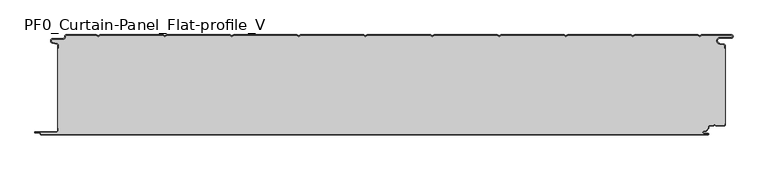
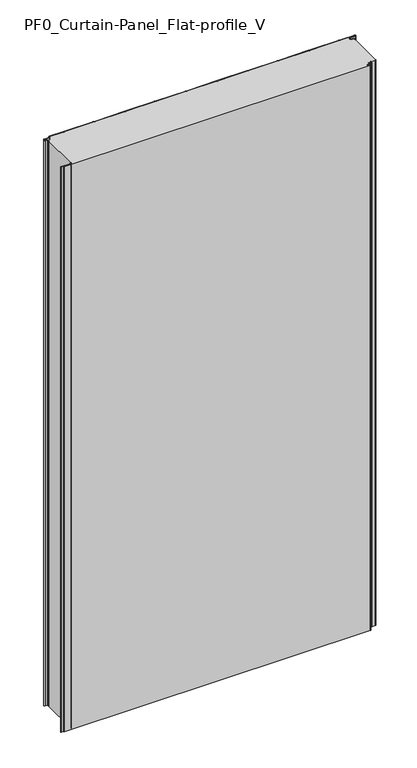
"""IFC4 building model written with IfcOpenShell, lengths in millimetres: plate geometry, PF0_Curtain-Panel_Flat-profile_V."""

from ifc_helpers import new_model, si_unit, point, frame, frame_2d, origin, origin_with_axes, place, context, project, spatial, polyline, circle_curve, trimmed, segment, composite_curve, outline, extrude, source, transform, mapped, element, save
from ifc_brep_helpers import plane_surface, cylinder_surface, revolved_surface, advanced_brep


def pf0_curtain_panel_flat_profile_v_de062862(model_context):
    return source(origin(), model_context, "Body", "SolidModel", [
        advanced_brep(
        [(-500.0, -15.878557, 1945.7507136), (-500.0, -20.0, 1945.7507136), (-499.2, -20.0, 1945.7507136), (-499.2, -15.878557, 1945.7507136), (-501.370137, -13.1503208, 1945.7507136), (-507.529863, -11.728236, 1945.7507136), (-506.9, -6.2, 1945.7507136), (-491.4, -6.2, 1945.7507136), (-488.6, -3.4, 1945.7507136), (-488.6, -2.0, 1945.7507136), (-487.4, -0.8, 1945.7507136), (-442.3143588, -0.8, 1945.7507136), (-439.4, -2.482606, 1945.7507136), (-436.4856412, -0.8, 1945.7507136), (-342.3143588, -0.8, 1945.7507136), (-339.4, -2.482606, 1945.7507136), (-336.4856412, -0.8, 1945.7507136), (-242.3143588, -0.8, 1945.7507136), (-239.4, -2.482606, 1945.7507136), (-236.4856412, -0.8, 1945.7507136), (-142.3143588, -0.8, 1945.7507136), (-139.4, -2.482606, 1945.7507136), (-136.4856412, -0.8, 1945.7507136), (-42.3143588, -0.8, 1945.7507136), (-39.4, -2.482606, 1945.7507136), (-36.4856412, -0.8, 1945.7507136), (57.6856412, -0.8, 1945.7507136), (60.6, -2.482606, 1945.7507136), (63.5143588, -0.8, 1945.7507136), (157.6856412, -0.8, 1945.7507136), (160.6, -2.482606, 1945.7507136), (163.5143588, -0.8, 1945.7507136), (257.6856412, -0.8, 1945.7507136), (260.6, -2.482606, 1945.7507136), (263.5143588, -0.8, 1945.7507136), (357.6856412, -0.8, 1945.7507136), (360.6, -2.482606, 1945.7507136), (363.5143588, -0.8, 1945.7507136), (457.6856412, -0.8, 1945.7507136), (460.6, -2.482606, 1945.7507136), (463.5143588, -0.8, 1945.7507136), (508.1, -0.8, 1945.7507136), (508.1, -4.2, 1945.7507136), (491.1, -4.2, 1945.7507136), (490.2664884, -13.7270771, 1945.7507136), (496.7125669, -14.8636953, 1945.7507136), (498.2, -16.6363492, 1945.7507136), (498.2, -20.0, 1945.7507136), (499.0, -20.0, 1945.7507136), (499.0, -16.6363492, 1945.7507136), (496.8514855, -14.0758491, 1945.7507136), (490.405407, -12.939231, 1945.7507136), (491.1, -5.0, 1945.7507136), (508.1, -5.0, 1945.7507136), (510.6, -2.5, 1945.7507136), (508.1, 0.0, 1945.7507136), (463.2999995, 0.0, 1945.7507136), (460.6, -1.5588455, 1945.7507136), (457.9000005, 0.0, 1945.7507136), (363.2999995, 0.0, 1945.7507136), (360.6, -1.5588455, 1945.7507136), (357.9000005, 0.0, 1945.7507136), (263.2999995, 0.0, 1945.7507136), (260.6, -1.5588455, 1945.7507136), (257.9000005, 0.0, 1945.7507136), (163.2999995, 0.0, 1945.7507136), (160.6, -1.5588455, 1945.7507136), (157.9000005, 0.0, 1945.7507136), (63.2999995, 0.0, 1945.7507136), (60.6, -1.5588455, 1945.7507136), (57.9000005, 0.0, 1945.7507136), (-36.7000005, 0.0, 1945.7507136), (-39.4, -1.5588455, 1945.7507136), (-42.0999995, 0.0, 1945.7507136), (-136.7000005, 0.0, 1945.7507136), (-139.4, -1.5588455, 1945.7507136), (-142.0999995, 0.0, 1945.7507136), (-236.7000005, 0.0, 1945.7507136), (-239.4, -1.5588455, 1945.7507136), (-242.0999995, 0.0, 1945.7507136), (-336.7000005, 0.0, 1945.7507136), (-339.4, -1.5588455, 1945.7507136), (-342.0999995, 0.0, 1945.7507136), (-436.7000005, 0.0, 1945.7507136), (-439.4, -1.5588455, 1945.7507136), (-442.0999995, 0.0, 1945.7507136), (-487.4, 0.0, 1945.7507136), (-489.4, -2.0, 1945.7507136), (-489.4, -3.4, 1945.7507136), (-491.4, -5.4, 1945.7507136), (-506.9, -5.4, 1945.7507136), (-507.7098239, -12.5077322, 1945.7507136), (-501.5500979, -13.929817, 1945.7507136), (-500.0, -15.878557, 0.0), (-501.5500978, -13.9298169, 0.0), (-507.7098239, -12.507732, 0.0), (-506.9, -5.4, 0.0), (-491.4, -5.4, 0.0), (-489.4, -3.4, 0.0), (-489.4, -2.0, 0.0), (-487.4, 0.0, 0.0), (-442.0999995, 0.0, 0.0), (-439.4, -1.5588455, 0.0), (-436.7000005, 0.0, 0.0), (-342.0999995, 0.0, 0.0), (-339.4, -1.5588455, 0.0), (-336.7000005, 0.0, 0.0), (-242.0999995, 0.0, 0.0), (-239.4, -1.5588455, 0.0), (-236.7000005, 0.0, 0.0), (-142.0999995, 0.0, 0.0), (-139.4, -1.5588455, 0.0), (-136.7000005, 0.0, 0.0), (-42.0999995, 0.0, 0.0), (-39.4, -1.5588455, 0.0), (-36.7000005, 0.0, 0.0), (57.9000005, 0.0, 0.0), (60.6, -1.5588455, 0.0), (63.2999995, 0.0, 0.0), (157.9000005, 0.0, 0.0), (160.6, -1.5588455, 0.0), (163.2999995, 0.0, 0.0), (257.9000005, 0.0, 0.0), (260.6, -1.5588455, 0.0), (263.2999995, 0.0, 0.0), (357.9000005, 0.0, 0.0), (360.6, -1.5588455, 0.0), (363.2999995, 0.0, 0.0), (457.9000005, 0.0, 0.0), (460.6, -1.5588455, 0.0), (463.2999995, 0.0, 0.0), (508.1, 0.0, 0.0), (510.6, -2.5, 0.0), (508.1, -5.0, 0.0), (491.1, -5.0, 0.0), (490.405407, -12.939231, 0.0), (496.8514855, -14.0758491, 0.0), (499.0, -16.6363492, 0.0), (499.0, -20.0, 0.0), (498.2, -20.0, 0.0), (498.2, -16.6363492, 0.0), (496.7125669, -14.8636953, 0.0), (490.2664884, -13.7270772, 0.0), (491.1, -4.2, 0.0), (508.1, -4.2, 0.0), (508.1, -0.8, 0.0), (463.5143588, -0.8, 0.0), (460.6, -2.482606, 0.0), (457.6856412, -0.8, 0.0), (363.5143588, -0.8, 0.0), (360.6, -2.482606, 0.0), (357.6856412, -0.8, 0.0), (263.5143588, -0.8, 0.0), (260.6, -2.482606, 0.0), (257.6856412, -0.8, 0.0), (163.5143588, -0.8, 0.0), (160.6, -2.482606, 0.0), (157.6856412, -0.8, 0.0), (63.5143588, -0.8, 0.0), (60.6, -2.482606, 0.0), (57.6856412, -0.8, 0.0), (-36.4856412, -0.8, 0.0), (-39.4, -2.482606, 0.0), (-42.3143588, -0.8, 0.0), (-136.4856412, -0.8, 0.0), (-139.4, -2.482606, 0.0), (-142.3143588, -0.8, 0.0), (-236.4856412, -0.8, 0.0), (-239.4, -2.482606, 0.0), (-242.3143588, -0.8, 0.0), (-336.4856412, -0.8, 0.0), (-339.4, -2.482606, 0.0), (-342.3143588, -0.8, 0.0), (-436.4856412, -0.8, 0.0), (-439.4, -2.482606, 0.0), (-442.3143588, -0.8, 0.0), (-487.4, -0.8, 0.0), (-488.6, -2.0, 0.0), (-488.6, -3.4, 0.0), (-491.4, -6.2, 0.0), (-506.9, -6.2, 0.0), (-507.529863, -11.7282362, 0.0), (-501.370137, -13.150321, 0.0), (-499.2, -15.878557, 0.0), (-499.2, -20.0, 0.0), (-500.0, -20.0, 0.0)],
        [
            (0, 1),
            (1, 2),
            (2, 3),
            (3, 4, circle_curve(frame((-502.0, -15.878557, 1945.7507136), z_axis=(0.0, 0.0, 1.0), x_axis=(1.0, 0.0, 0.0)), 2.8)),
            (4, 5),
            (5, 6, circle_curve(frame((-506.9, -9.0, 1945.7507136), z_axis=(0.0, 0.0, -1.0), x_axis=(1.0, 0.0, 0.0)), 2.8)),
            (6, 7),
            (7, 8, circle_curve(frame((-491.4, -3.4, 1945.7507136), z_axis=(0.0, 0.0, 1.0), x_axis=(1.0, 0.0, 0.0)), 2.8)),
            (8, 9),
            (9, 10, circle_curve(frame((-487.4, -2.0, 1945.7507136), z_axis=(0.0, 0.0, -1.0), x_axis=(1.0, 0.0, 0.0)), 1.2)),
            (10, 11),
            (11, 12),
            (12, 13),
            (13, 14),
            (14, 15),
            (15, 16),
            (16, 17),
            (17, 18),
            (18, 19),
            (19, 20),
            (20, 21),
            (21, 22),
            (22, 23),
            (23, 24),
            (24, 25),
            (25, 26),
            (26, 27),
            (27, 28),
            (28, 29),
            (29, 30),
            (30, 31),
            (31, 32),
            (32, 33),
            (33, 34),
            (34, 35),
            (35, 36),
            (36, 37),
            (37, 38),
            (38, 39),
            (39, 40),
            (40, 41),
            (41, 42, circle_curve(frame((508.1, -2.5, 1945.7507136), z_axis=(0.0, 0.0, -1.0), x_axis=(1.0, 0.0, 0.0)), 1.7)),
            (42, 43),
            (43, 44, circle_curve(frame((491.1, -9.0, 1945.7507136), z_axis=(0.0, 0.0, 1.0), x_axis=(1.0, 0.0, 0.0)), 4.8)),
            (44, 45),
            (45, 46, circle_curve(frame((496.4, -16.6363492, 1945.7507136), z_axis=(0.0, 0.0, -1.0), x_axis=(1.0, 0.0, 0.0)), 1.8)),
            (46, 47),
            (47, 48),
            (48, 49),
            (49, 50, circle_curve(frame((496.4, -16.6363492, 1945.7507136), z_axis=(0.0, 0.0, 1.0), x_axis=(1.0, 0.0, 0.0)), 2.6)),
            (50, 51),
            (51, 52, circle_curve(frame((491.1, -9.0, 1945.7507136), z_axis=(0.0, 0.0, -1.0), x_axis=(1.0, 0.0, 0.0)), 4.0)),
            (52, 53),
            (53, 54, circle_curve(frame((508.1, -2.5, 1945.7507136), z_axis=(0.0, 0.0, 1.0), x_axis=(1.0, 0.0, 0.0)), 2.5)),
            (54, 55, circle_curve(frame((508.1, -2.5, 1945.7507136), z_axis=(0.0, 0.0, 1.0), x_axis=(1.0, 0.0, 0.0)), 2.5)),
            (55, 56),
            (56, 57),
            (57, 58),
            (58, 59),
            (59, 60),
            (60, 61),
            (61, 62),
            (62, 63),
            (63, 64),
            (64, 65),
            (65, 66),
            (66, 67),
            (67, 68),
            (68, 69),
            (69, 70),
            (70, 71),
            (71, 72),
            (72, 73),
            (73, 74),
            (74, 75),
            (75, 76),
            (76, 77),
            (77, 78),
            (78, 79),
            (79, 80),
            (80, 81),
            (81, 82),
            (82, 83),
            (83, 84),
            (84, 85),
            (85, 86),
            (86, 87, circle_curve(frame((-487.4, -2.0, 1945.7507136), z_axis=(0.0, 0.0, 1.0), x_axis=(1.0, 0.0, 0.0)), 2.0)),
            (87, 88),
            (88, 89, circle_curve(frame((-491.4, -3.4, 1945.7507136), z_axis=(0.0, 0.0, -1.0), x_axis=(1.0, 0.0, 0.0)), 2.0)),
            (89, 90),
            (90, 91, circle_curve(frame((-506.9, -9.0, 1945.7507136), z_axis=(0.0, 0.0, 1.0), x_axis=(1.0, 0.0, 0.0)), 3.6)),
            (91, 92),
            (92, 0, circle_curve(frame((-502.0, -15.878557, 1945.7507136), z_axis=(0.0, 0.0, -1.0), x_axis=(1.0, 0.0, 0.0)), 2.0)),
            (93, 94, circle_curve(frame((-502.0, -15.878557, 0.0), z_axis=(0.0, 0.0, 1.0), x_axis=(1.0, 0.0, 0.0)), 2.0)),
            (94, 95),
            (95, 96, circle_curve(frame((-506.9, -9.0, 0.0), z_axis=(0.0, 0.0, -1.0), x_axis=(1.0, 0.0, 0.0)), 3.6)),
            (96, 97),
            (97, 98, circle_curve(frame((-491.4, -3.4, 0.0), z_axis=(0.0, 0.0, 1.0), x_axis=(1.0, 0.0, 0.0)), 2.0)),
            (98, 99),
            (99, 100, circle_curve(frame((-487.4, -2.0, 0.0), z_axis=(0.0, 0.0, -1.0), x_axis=(1.0, 0.0, 0.0)), 2.0)),
            (100, 101),
            (101, 102),
            (102, 103),
            (103, 104),
            (104, 105),
            (105, 106),
            (106, 107),
            (107, 108),
            (108, 109),
            (109, 110),
            (110, 111),
            (111, 112),
            (112, 113),
            (113, 114),
            (114, 115),
            (115, 116),
            (116, 117),
            (117, 118),
            (118, 119),
            (119, 120),
            (120, 121),
            (121, 122),
            (122, 123),
            (123, 124),
            (124, 125),
            (125, 126),
            (126, 127),
            (127, 128),
            (128, 129),
            (129, 130),
            (130, 131),
            (131, 132, circle_curve(frame((508.1, -2.5, 0.0), z_axis=(0.0, 0.0, -1.0), x_axis=(1.0, 0.0, 0.0)), 2.5)),
            (132, 133, circle_curve(frame((508.1, -2.5, 0.0), z_axis=(0.0, 0.0, -1.0), x_axis=(1.0, 0.0, 0.0)), 2.5)),
            (133, 134),
            (134, 135, circle_curve(frame((491.1, -9.0, 0.0), z_axis=(0.0, 0.0, 1.0), x_axis=(1.0, 0.0, 0.0)), 4.0)),
            (135, 136),
            (136, 137, circle_curve(frame((496.4, -16.6363492, 0.0), z_axis=(0.0, 0.0, -1.0), x_axis=(1.0, 0.0, 0.0)), 2.6)),
            (137, 138),
            (138, 139),
            (139, 140),
            (140, 141, circle_curve(frame((496.4, -16.6363492, 0.0), z_axis=(0.0, 0.0, 1.0), x_axis=(1.0, 0.0, 0.0)), 1.8)),
            (141, 142),
            (142, 143, circle_curve(frame((491.1, -9.0, 0.0), z_axis=(0.0, 0.0, -1.0), x_axis=(1.0, 0.0, 0.0)), 4.8)),
            (143, 144),
            (144, 145, circle_curve(frame((508.1, -2.5, 0.0), z_axis=(0.0, 0.0, 1.0), x_axis=(1.0, 0.0, 0.0)), 1.7)),
            (145, 146),
            (146, 147),
            (147, 148),
            (148, 149),
            (149, 150),
            (150, 151),
            (151, 152),
            (152, 153),
            (153, 154),
            (154, 155),
            (155, 156),
            (156, 157),
            (157, 158),
            (158, 159),
            (159, 160),
            (160, 161),
            (161, 162),
            (162, 163),
            (163, 164),
            (164, 165),
            (165, 166),
            (166, 167),
            (167, 168),
            (168, 169),
            (169, 170),
            (170, 171),
            (171, 172),
            (172, 173),
            (173, 174),
            (174, 175),
            (175, 176),
            (176, 177, circle_curve(frame((-487.4, -2.0, 0.0), z_axis=(0.0, 0.0, 1.0), x_axis=(1.0, 0.0, 0.0)), 1.2)),
            (177, 178),
            (178, 179, circle_curve(frame((-491.4, -3.4, 0.0), z_axis=(0.0, 0.0, -1.0), x_axis=(1.0, 0.0, 0.0)), 2.8)),
            (179, 180),
            (180, 181, circle_curve(frame((-506.9, -9.0, 0.0), z_axis=(0.0, 0.0, 1.0), x_axis=(1.0, 0.0, 0.0)), 2.8)),
            (181, 182),
            (182, 183, circle_curve(frame((-502.0, -15.878557, 0.0), z_axis=(0.0, 0.0, -1.0), x_axis=(1.0, 0.0, 0.0)), 2.8)),
            (183, 184),
            (184, 185),
            (185, 93),
            (0, 93),
            (185, 1),
            (184, 2),
            (183, 3),
            (182, 4),
            (181, 5),
            (180, 6),
            (179, 7),
            (178, 8),
            (177, 9),
            (176, 10),
            (175, 11),
            (174, 12),
            (173, 13),
            (172, 14),
            (171, 15),
            (170, 16),
            (169, 17),
            (168, 18),
            (167, 19),
            (166, 20),
            (165, 21),
            (164, 22),
            (163, 23),
            (162, 24),
            (161, 25),
            (160, 26),
            (159, 27),
            (158, 28),
            (157, 29),
            (156, 30),
            (155, 31),
            (154, 32),
            (153, 33),
            (152, 34),
            (151, 35),
            (150, 36),
            (149, 37),
            (148, 38),
            (147, 39),
            (146, 40),
            (145, 41),
            (144, 42),
            (143, 43),
            (142, 44),
            (141, 45),
            (140, 46),
            (139, 47),
            (138, 48),
            (137, 49),
            (136, 50),
            (135, 51),
            (134, 52),
            (133, 53),
            (131, 55),
            (56, 130),
            (129, 57),
            (128, 58),
            (127, 59),
            (126, 60),
            (125, 61),
            (124, 62),
            (123, 63),
            (122, 64),
            (121, 65),
            (120, 66),
            (119, 67),
            (118, 68),
            (117, 69),
            (116, 70),
            (115, 71),
            (114, 72),
            (113, 73),
            (112, 74),
            (111, 75),
            (110, 76),
            (109, 77),
            (108, 78),
            (107, 79),
            (106, 80),
            (105, 81),
            (104, 82),
            (103, 83),
            (102, 84),
            (101, 85),
            (100, 86),
            (99, 87),
            (98, 88),
            (97, 89),
            (96, 90),
            (95, 91),
            (94, 92),
        ],
        [
            plane_surface(frame((-500.0, 0.0, 1945.7507136), z_axis=(0.0, 0.0, 1.0), x_axis=(0.0, 1.0, 0.0))),
            plane_surface(frame((-500.0, 0.0, 0.0), z_axis=(0.0, 0.0, -1.0), x_axis=(0.0, 1.0, 0.0))),
            plane_surface(frame((-500.0, -15.878557, 1945.7507136), z_axis=(-1.0, 0.0, 0.0), x_axis=(0.0, 0.0, -1.0))),
            plane_surface(frame((-500.0, -20.0, 1945.7507136), z_axis=(0.0, -1.0, 0.0), x_axis=(0.0, 0.0, -1.0))),
            plane_surface(frame((-499.2, -20.0, 1945.7507136), z_axis=(1.0, 0.0, 0.0), x_axis=(0.0, 0.0, -1.0))),
            cylinder_surface(frame((-502.0, -15.878557, 1945.7507136), z_axis=(0.0, 0.0, 1.0), x_axis=(1.0, 0.0, 0.0)), 2.8),
            plane_surface(frame((-501.370137, -13.150321, 1945.7507136), z_axis=(0.22495108446242484, 0.9743700578318174, 0.0), x_axis=(0.0, 0.0, -1.0))),
            revolved_surface(polyline([(-504.09999999999997, -9.0, 0.0), (-504.09999999999997, -9.0, 1945.7507136)]), (-506.9, -9.0, 1945.7507136), (0.0, 0.0, -1.0)),
            plane_surface(frame((-506.9, -6.2, 1945.7507136), z_axis=(0.0, -1.0, 0.0), x_axis=(0.0, 0.0, -1.0))),
            cylinder_surface(frame((-491.4, -3.4, 1945.7507136), z_axis=(0.0, 0.0, 1.0), x_axis=(1.0, 0.0, 0.0)), 2.8),
            plane_surface(frame((-488.6, -3.4, 1945.7507136), z_axis=(1.0, 0.0, 0.0), x_axis=(0.0, 0.0, -1.0))),
            revolved_surface(polyline([(-486.2, -2.0, 0.0), (-486.2, -2.0, 1945.7507136)]), (-487.4, -2.0, 1945.7507136), (0.0, 0.0, -1.0)),
            plane_surface(frame((-487.4, -0.8, 1945.7507136), z_axis=(0.0, -1.0, 0.0), x_axis=(0.0, 0.0, -1.0))),
            plane_surface(frame((-442.3143588, -0.8, 1945.7507136), z_axis=(-0.5000000299313342, -0.8660253865035741, 0.0), x_axis=(0.0, 0.0, -1.0))),
            plane_surface(frame((-439.4, -2.482606, 1945.7507136), z_axis=(0.5000000299313233, -0.8660253865035805, 0.0), x_axis=(0.0, 0.0, -1.0))),
            plane_surface(frame((-436.4856412, -0.8, 1945.7507136), z_axis=(0.0, -1.0, 0.0), x_axis=(0.0, 0.0, -1.0))),
            plane_surface(frame((-342.3143588, -0.8, 1945.7507136), z_axis=(-0.5000000299313346, -0.8660253865035739, 0.0), x_axis=(0.0, 0.0, -1.0))),
            plane_surface(frame((-339.4, -2.482606, 1945.7507136), z_axis=(0.5000000299313251, -0.8660253865035794, 0.0), x_axis=(0.0, 0.0, -1.0))),
            plane_surface(frame((-336.4856412, -0.8, 1945.7507136), z_axis=(0.0, -1.0, 0.0), x_axis=(0.0, 0.0, -1.0))),
            plane_surface(frame((-242.3143588, -0.8, 1945.7507136), z_axis=(-0.5000000299313346, -0.866025386503574, 0.0), x_axis=(0.0, 0.0, -1.0))),
            plane_surface(frame((-239.4, -2.482606, 1945.7507136), z_axis=(0.5000000299313251, -0.8660253865035794, 0.0), x_axis=(0.0, 0.0, -1.0))),
            plane_surface(frame((-236.4856412, -0.8, 1945.7507136), z_axis=(0.0, -1.0, 0.0), x_axis=(0.0, 0.0, -1.0))),
            plane_surface(frame((-142.3143588, -0.8, 1945.7507136), z_axis=(-0.5000000299313349, -0.8660253865035739, 0.0), x_axis=(0.0, 0.0, -1.0))),
            plane_surface(frame((-139.4, -2.482606, 1945.7507136), z_axis=(0.5000000299313233, -0.8660253865035805, 0.0), x_axis=(0.0, 0.0, -1.0))),
            plane_surface(frame((-136.4856412, -0.8, 1945.7507136), z_axis=(0.0, -1.0, 0.0), x_axis=(0.0, 0.0, -1.0))),
            plane_surface(frame((-42.3143588, -0.8, 1945.7507136), z_axis=(-0.5000000299313346, -0.866025386503574, 0.0), x_axis=(0.0, 0.0, -1.0))),
            plane_surface(frame((-39.4, -2.482606, 1945.7507136), z_axis=(0.5000000299313239, -0.8660253865035802, 0.0), x_axis=(0.0, 0.0, -1.0))),
            plane_surface(frame((-36.4856412, -0.8, 1945.7507136), z_axis=(0.0, -1.0, 0.0), x_axis=(0.0, 0.0, -1.0))),
            plane_surface(frame((57.6856412, -0.8, 1945.7507136), z_axis=(-0.5000000299313347, -0.8660253865035739, 0.0), x_axis=(0.0, 0.0, -1.0))),
            plane_surface(frame((60.6, -2.482606, 1945.7507136), z_axis=(0.5000000299313232, -0.8660253865035805, 0.0), x_axis=(0.0, 0.0, -1.0))),
            plane_surface(frame((63.5143588, -0.8, 1945.7507136), z_axis=(0.0, -1.0, 0.0), x_axis=(0.0, 0.0, -1.0))),
            plane_surface(frame((157.6856412, -0.8, 1945.7507136), z_axis=(-0.5000000299313346, -0.866025386503574, 0.0), x_axis=(0.0, 0.0, -1.0))),
            plane_surface(frame((160.6, -2.482606, 1945.7507136), z_axis=(0.5000000299313262, -0.8660253865035787, 0.0), x_axis=(0.0, 0.0, -1.0))),
            plane_surface(frame((163.5143588, -0.8, 1945.7507136), z_axis=(0.0, -1.0, 0.0), x_axis=(0.0, 0.0, -1.0))),
            plane_surface(frame((257.6856412, -0.8, 1945.7507136), z_axis=(-0.5000000299313346, -0.8660253865035739, 0.0), x_axis=(0.0, 0.0, -1.0))),
            plane_surface(frame((260.6, -2.482606, 1945.7507136), z_axis=(0.5000000299313263, -0.8660253865035787, 0.0), x_axis=(0.0, 0.0, -1.0))),
            plane_surface(frame((263.5143588, -0.8, 1945.7507136), z_axis=(0.0, -1.0, 0.0), x_axis=(0.0, 0.0, -1.0))),
            plane_surface(frame((357.6856412, -0.8, 1945.7507136), z_axis=(-0.5000000299313346, -0.8660253865035739, 0.0), x_axis=(0.0, 0.0, -1.0))),
            plane_surface(frame((360.6, -2.482606, 1945.7507136), z_axis=(0.5000000299313255, -0.8660253865035792, 0.0), x_axis=(0.0, 0.0, -1.0))),
            plane_surface(frame((363.5143588, -0.8, 1945.7507136), z_axis=(0.0, -1.0, 0.0), x_axis=(0.0, 0.0, -1.0))),
            plane_surface(frame((457.6856412, -0.8, 1945.7507136), z_axis=(-0.5000000299313347, -0.8660253865035739, 0.0), x_axis=(0.0, 0.0, -1.0))),
            plane_surface(frame((460.6, -2.482606, 1945.7507136), z_axis=(0.5000000299313263, -0.8660253865035787, 0.0), x_axis=(0.0, 0.0, -1.0))),
            plane_surface(frame((463.5143588, -0.8, 1945.7507136), z_axis=(0.0, -1.0, 0.0), x_axis=(0.0, 0.0, -1.0))),
            revolved_surface(polyline([(509.8, -2.5, 0.0), (509.8, -2.5, 1945.7507136)]), (508.1, -2.5, 1945.7507136), (0.0, 0.0, -1.0)),
            plane_surface(frame((508.1, -4.2, 1945.7507136), z_axis=(0.0, 1.0, 0.0), x_axis=(0.0, 0.0, -1.0))),
            cylinder_surface(frame((491.1, -9.0, 1945.7507136), z_axis=(0.0, 0.0, 1.0), x_axis=(1.0, 0.0, 0.0)), 4.8),
            plane_surface(frame((490.2664884, -13.7270772, 1945.7507136), z_axis=(-0.17364825602592485, -0.9848077391954, 0.0), x_axis=(0.0, 0.0, -1.0))),
            revolved_surface(polyline([(498.2, -16.6363492, 0.0), (498.2, -16.6363492, 1945.7507136)]), (496.4, -16.6363492, 1945.7507136), (0.0, 0.0, -1.0)),
            plane_surface(frame((498.2, -16.6363492, 1945.7507136), z_axis=(-1.0, 0.0, 0.0), x_axis=(0.0, 0.0, -1.0))),
            plane_surface(frame((498.2, -20.0, 1945.7507136), z_axis=(0.0, -1.0, 0.0), x_axis=(0.0, 0.0, -1.0))),
            plane_surface(frame((499.0, -20.0, 1945.7507136), z_axis=(1.0, 0.0, 0.0), x_axis=(0.0, 0.0, -1.0))),
            cylinder_surface(frame((496.4, -16.6363492, 1945.7507136), z_axis=(0.0, 0.0, 1.0), x_axis=(1.0, 0.0, 0.0)), 2.6),
            plane_surface(frame((496.8514855, -14.0758491, 1945.7507136), z_axis=(0.1736482560259256, 0.9848077391953998, 0.0), x_axis=(0.0, 0.0, -1.0))),
            revolved_surface(polyline([(495.1, -9.0, 0.0), (495.1, -9.0, 1945.7507136)]), (491.1, -9.0, 1945.7507136), (0.0, 0.0, -1.0)),
            plane_surface(frame((491.1, -5.0, 1945.7507136), z_axis=(0.0, -1.0, 0.0), x_axis=(0.0, 0.0, -1.0))),
            cylinder_surface(frame((508.1, -2.5, 1945.7507136), z_axis=(0.0, 0.0, 1.0), x_axis=(1.0, 0.0, 0.0)), 2.5),
            plane_surface(frame((463.2999995, 0.0, 1945.7507136), z_axis=(-0.5000000299313235, 0.8660253865035803, 0.0), x_axis=(0.0, 0.0, -1.0))),
            plane_surface(frame((460.6, -1.5588455, 1945.7507136), z_axis=(0.5000000299313346, 0.8660253865035739, 0.0), x_axis=(0.0, 0.0, -1.0))),
            plane_surface(frame((457.9000005, 0.0, 1945.7507136), z_axis=(0.0, 1.0, 0.0), x_axis=(0.0, 0.0, -1.0))),
            plane_surface(frame((363.2999995, 0.0, 1945.7507136), z_axis=(-0.5000000299313235, 0.8660253865035803, 0.0), x_axis=(0.0, 0.0, -1.0))),
            plane_surface(frame((360.6, -1.5588455, 1945.7507136), z_axis=(0.5000000299313346, 0.8660253865035739, 0.0), x_axis=(0.0, 0.0, -1.0))),
            plane_surface(frame((357.9000005, 0.0, 1945.7507136), z_axis=(0.0, 1.0, 0.0), x_axis=(0.0, 0.0, -1.0))),
            plane_surface(frame((263.2999995, 0.0, 1945.7507136), z_axis=(-0.5000000299313235, 0.8660253865035803, 0.0), x_axis=(0.0, 0.0, -1.0))),
            plane_surface(frame((260.6, -1.5588455, 1945.7507136), z_axis=(0.5000000299313346, 0.8660253865035739, 0.0), x_axis=(0.0, 0.0, -1.0))),
            plane_surface(frame((257.9000005, 0.0, 1945.7507136), z_axis=(0.0, 1.0, 0.0), x_axis=(0.0, 0.0, -1.0))),
            plane_surface(frame((163.2999995, 0.0, 1945.7507136), z_axis=(-0.5000000299313235, 0.8660253865035803, 0.0), x_axis=(0.0, 0.0, -1.0))),
            plane_surface(frame((160.6, -1.5588455, 1945.7507136), z_axis=(0.5000000299313346, 0.8660253865035739, 0.0), x_axis=(0.0, 0.0, -1.0))),
            plane_surface(frame((157.9000005, 0.0, 1945.7507136), z_axis=(0.0, 1.0, 0.0), x_axis=(0.0, 0.0, -1.0))),
            plane_surface(frame((63.2999995, 0.0, 1945.7507136), z_axis=(-0.5000000299313235, 0.8660253865035803, 0.0), x_axis=(0.0, 0.0, -1.0))),
            plane_surface(frame((60.6, -1.5588455, 1945.7507136), z_axis=(0.5000000299313346, 0.8660253865035739, 0.0), x_axis=(0.0, 0.0, -1.0))),
            plane_surface(frame((57.9000005, 0.0, 1945.7507136), z_axis=(0.0, 1.0, 0.0), x_axis=(0.0, 0.0, -1.0))),
            plane_surface(frame((-36.7000005, 0.0, 1945.7507136), z_axis=(-0.5000000299313235, 0.8660253865035803, 0.0), x_axis=(0.0, 0.0, -1.0))),
            plane_surface(frame((-39.4, -1.5588455, 1945.7507136), z_axis=(0.5000000299313346, 0.8660253865035739, 0.0), x_axis=(0.0, 0.0, -1.0))),
            plane_surface(frame((-42.0999995, 0.0, 1945.7507136), z_axis=(0.0, 1.0, 0.0), x_axis=(0.0, 0.0, -1.0))),
            plane_surface(frame((-136.7000005, 0.0, 1945.7507136), z_axis=(-0.5000000299313235, 0.8660253865035803, 0.0), x_axis=(0.0, 0.0, -1.0))),
            plane_surface(frame((-139.4, -1.5588455, 1945.7507136), z_axis=(0.5000000299313346, 0.8660253865035739, 0.0), x_axis=(0.0, 0.0, -1.0))),
            plane_surface(frame((-142.0999995, 0.0, 1945.7507136), z_axis=(0.0, 1.0, 0.0), x_axis=(0.0, 0.0, -1.0))),
            plane_surface(frame((-236.7000005, 0.0, 1945.7507136), z_axis=(-0.5000000299313235, 0.8660253865035803, 0.0), x_axis=(0.0, 0.0, -1.0))),
            plane_surface(frame((-239.4, -1.5588455, 1945.7507136), z_axis=(0.5000000299313346, 0.8660253865035739, 0.0), x_axis=(0.0, 0.0, -1.0))),
            plane_surface(frame((-242.0999995, 0.0, 1945.7507136), z_axis=(0.0, 1.0, 0.0), x_axis=(0.0, 0.0, -1.0))),
            plane_surface(frame((-336.7000005, 0.0, 1945.7507136), z_axis=(-0.5000000299313235, 0.8660253865035803, 0.0), x_axis=(0.0, 0.0, -1.0))),
            plane_surface(frame((-339.4, -1.5588455, 1945.7507136), z_axis=(0.5000000299313346, 0.8660253865035739, 0.0), x_axis=(0.0, 0.0, -1.0))),
            plane_surface(frame((-342.0999995, 0.0, 1945.7507136), z_axis=(0.0, 1.0, 0.0), x_axis=(0.0, 0.0, -1.0))),
            plane_surface(frame((-436.7000005, 0.0, 1945.7507136), z_axis=(-0.5000000299313235, 0.8660253865035803, 0.0), x_axis=(0.0, 0.0, -1.0))),
            plane_surface(frame((-439.4, -1.5588455, 1945.7507136), z_axis=(0.5000000299313346, 0.8660253865035739, 0.0), x_axis=(0.0, 0.0, -1.0))),
            plane_surface(frame((-442.0999995, 0.0, 1945.7507136), z_axis=(0.0, 1.0, 0.0), x_axis=(0.0, 0.0, -1.0))),
            cylinder_surface(frame((-487.4, -2.0, 1945.7507136), z_axis=(0.0, 0.0, 1.0), x_axis=(1.0, 0.0, 0.0)), 2.0),
            plane_surface(frame((-489.4, -2.0, 1945.7507136), z_axis=(-1.0, 0.0, 0.0), x_axis=(0.0, 0.0, -1.0))),
            revolved_surface(polyline([(-489.4, -3.4, 0.0), (-489.4, -3.4, 1945.7507136)]), (-491.4, -3.4, 1945.7507136), (0.0, 0.0, -1.0)),
            plane_surface(frame((-491.4, -5.4, 1945.7507136), z_axis=(0.0, 1.0, 0.0), x_axis=(0.0, 0.0, -1.0))),
            cylinder_surface(frame((-506.9, -9.0, 1945.7507136), z_axis=(0.0, 0.0, 1.0), x_axis=(1.0, 0.0, 0.0)), 3.6),
            plane_surface(frame((-507.7098239, -12.507732, 1945.7507136), z_axis=(-0.22495108446242487, -0.9743700578318174, 0.0), x_axis=(0.0, 0.0, -1.0))),
            revolved_surface(polyline([(-500.0, -15.878557, 0.0), (-500.0, -15.878557, 1945.7507136)]), (-502.0, -15.878557, 1945.7507136), (0.0, 0.0, -1.0)),
            plane_surface(frame((508.1, 0.0, 1945.7507136), z_axis=(0.0, 1.0, 0.0), x_axis=(0.0, 0.0, -1.0))),
        ],
        [
            (0, [[1, 2, 3, 4, 5, 6, 7, 8, 9, 10, 11, 12, 13, 14, 15, 16, 17, 18, 19, 20, 21, 22, 23, 24, 25, 26, 27, 28, 29, 30, 31, 32, 33, 34, 35, 36, 37, 38, 39, 40, 41, 42, 43, 44, 45, 46, 47, 48, 49, 50, 51, 52, 53, 54, 55, 56, 57, 58, 59, 60, 61, 62, 63, 64, 65, 66, 67, 68, 69, 70, 71, 72, 73, 74, 75, 76, 77, 78, 79, 80, 81, 82, 83, 84, 85, 86, 87, 88, 89, 90, 91, 92, 93]]),
            (1, [[94, 95, 96, 97, 98, 99, 100, 101, 102, 103, 104, 105, 106, 107, 108, 109, 110, 111, 112, 113, 114, 115, 116, 117, 118, 119, 120, 121, 122, 123, 124, 125, 126, 127, 128, 129, 130, 131, 132, 133, 134, 135, 136, 137, 138, 139, 140, 141, 142, 143, 144, 145, 146, 147, 148, 149, 150, 151, 152, 153, 154, 155, 156, 157, 158, 159, 160, 161, 162, 163, 164, 165, 166, 167, 168, 169, 170, 171, 172, 173, 174, 175, 176, 177, 178, 179, 180, 181, 182, 183, 184, 185, 186]]),
            (2, [[-1, 187, -186, 188]]),
            (3, [[-2, -188, -185, 189]]),
            (4, [[-3, -189, -184, 190]]),
            (5, [[-4, -190, -183, 191]]),
            (6, [[-5, -191, -182, 192]]),
            (7, [[-6, -192, -181, 193]]),
            (8, [[-7, -193, -180, 194]]),
            (9, [[-8, -194, -179, 195]]),
            (10, [[-9, -195, -178, 196]]),
            (11, [[-10, -196, -177, 197]]),
            (12, [[-11, -197, -176, 198]]),
            (13, [[-12, -198, -175, 199]]),
            (14, [[-13, -199, -174, 200]]),
            (15, [[-14, -200, -173, 201]]),
            (16, [[-15, -201, -172, 202]]),
            (17, [[-16, -202, -171, 203]]),
            (18, [[-17, -203, -170, 204]]),
            (19, [[-18, -204, -169, 205]]),
            (20, [[-19, -205, -168, 206]]),
            (21, [[-20, -206, -167, 207]]),
            (22, [[-21, -207, -166, 208]]),
            (23, [[-22, -208, -165, 209]]),
            (24, [[-23, -209, -164, 210]]),
            (25, [[-24, -210, -163, 211]]),
            (26, [[-25, -211, -162, 212]]),
            (27, [[-26, -212, -161, 213]]),
            (28, [[-27, -213, -160, 214]]),
            (29, [[-28, -214, -159, 215]]),
            (30, [[-29, -215, -158, 216]]),
            (31, [[-30, -216, -157, 217]]),
            (32, [[-31, -217, -156, 218]]),
            (33, [[-32, -218, -155, 219]]),
            (34, [[-33, -219, -154, 220]]),
            (35, [[-34, -220, -153, 221]]),
            (36, [[-35, -221, -152, 222]]),
            (37, [[-36, -222, -151, 223]]),
            (38, [[-37, -223, -150, 224]]),
            (39, [[-38, -224, -149, 225]]),
            (40, [[-39, -225, -148, 226]]),
            (41, [[-40, -226, -147, 227]]),
            (42, [[-41, -227, -146, 228]]),
            (43, [[-42, -228, -145, 229]]),
            (44, [[-43, -229, -144, 230]]),
            (45, [[-44, -230, -143, 231]]),
            (46, [[-45, -231, -142, 232]]),
            (47, [[-46, -232, -141, 233]]),
            (48, [[-47, -233, -140, 234]]),
            (49, [[-48, -234, -139, 235]]),
            (50, [[-49, -235, -138, 236]]),
            (51, [[-50, -236, -137, 237]]),
            (52, [[-51, -237, -136, 238]]),
            (53, [[-52, -238, -135, 239]]),
            (54, [[-53, -239, -134, 240]]),
            (55, [[-240, -133, -132, 241, -55, -54]]),
            (56, [[-57, 242, -130, 243]]),
            (57, [[-58, -243, -129, 244]]),
            (58, [[-59, -244, -128, 245]]),
            (59, [[-60, -245, -127, 246]]),
            (60, [[-61, -246, -126, 247]]),
            (61, [[-62, -247, -125, 248]]),
            (62, [[-63, -248, -124, 249]]),
            (63, [[-64, -249, -123, 250]]),
            (64, [[-65, -250, -122, 251]]),
            (65, [[-66, -251, -121, 252]]),
            (66, [[-67, -252, -120, 253]]),
            (67, [[-68, -253, -119, 254]]),
            (68, [[-69, -254, -118, 255]]),
            (69, [[-70, -255, -117, 256]]),
            (70, [[-71, -256, -116, 257]]),
            (71, [[-72, -257, -115, 258]]),
            (72, [[-73, -258, -114, 259]]),
            (73, [[-74, -259, -113, 260]]),
            (74, [[-75, -260, -112, 261]]),
            (75, [[-76, -261, -111, 262]]),
            (76, [[-77, -262, -110, 263]]),
            (77, [[-78, -263, -109, 264]]),
            (78, [[-79, -264, -108, 265]]),
            (79, [[-80, -265, -107, 266]]),
            (80, [[-81, -266, -106, 267]]),
            (81, [[-82, -267, -105, 268]]),
            (82, [[-83, -268, -104, 269]]),
            (83, [[-84, -269, -103, 270]]),
            (84, [[-85, -270, -102, 271]]),
            (85, [[-86, -271, -101, 272]]),
            (86, [[-87, -272, -100, 273]]),
            (87, [[-88, -273, -99, 274]]),
            (88, [[-89, -274, -98, 275]]),
            (89, [[-90, -275, -97, 276]]),
            (90, [[-91, -276, -96, 277]]),
            (91, [[-92, -277, -95, 278]]),
            (92, [[-93, -278, -94, -187]]),
            (93, [[-56, -241, -131, -242]]),
        ],
    ),
        extrude(outline(composite_curve([segment(polyline([(-499.2, -140.0), (-500.0, -140.0), (-500.0, -20.0), (-499.2, -20.0), (-499.2, -15.878557)]), True, "CONTINUOUS"), segment(trimmed(circle_curve(frame_2d((-502.0, -15.878557)), 2.8), [point((-499.2, -15.878557))], [point((-501.370137, -13.1503208))], True, "CARTESIAN"), True, "CONTINUOUS"), segment(polyline([(-501.370137, -13.1503208), (-507.529863, -11.7282362)]), True, "CONTINUOUS"), segment(trimmed(circle_curve(frame_2d((-506.9, -9.0)), 2.8), [point((-507.529863, -11.7282362))], [point((-506.9, -6.2))], False, "CARTESIAN"), True, "CONTINUOUS"), segment(polyline([(-506.9, -6.2), (-491.4, -6.2)]), True, "CONTINUOUS"), segment(trimmed(circle_curve(frame_2d((-491.4, -3.4)), 2.8), [point((-491.4, -6.2))], [point((-488.6, -3.4))], True, "CARTESIAN"), True, "CONTINUOUS"), segment(polyline([(-488.6, -3.4), (-488.6, -2.0)]), True, "CONTINUOUS"), segment(trimmed(circle_curve(frame_2d((-487.4, -2.0)), 1.2), [point((-488.6, -2.0))], [point((-487.4, -0.8))], False, "CARTESIAN"), True, "CONTINUOUS"), segment(polyline([(-487.4, -0.8), (-442.3143588, -0.8), (-439.4, -2.482606), (-436.4856412, -0.8), (-342.3143588, -0.8), (-339.4, -2.482606), (-336.4856412, -0.8), (-242.3143588, -0.8), (-239.4, -2.482606), (-236.4856412, -0.8), (-142.3143588, -0.8), (-139.4, -2.482606), (-136.4856412, -0.8), (-42.3143588, -0.8), (-39.4, -2.482606), (-36.4856412, -0.8), (57.6856412, -0.8), (60.6, -2.482606), (63.5143588, -0.8), (157.6856412, -0.8), (160.6, -2.482606), (163.5143588, -0.8), (257.6856412, -0.8), (260.6, -2.482606), (263.5143588, -0.8), (357.6856412, -0.8), (360.6, -2.482606), (363.5143588, -0.8), (457.6856412, -0.8), (460.6, -2.482606), (463.5143588, -0.8), (508.1, -0.8)]), True, "CONTINUOUS"), segment(trimmed(circle_curve(frame_2d((508.1, -2.5)), 1.7), [point((508.1, -0.8))], [point((508.1, -4.2))], False, "CARTESIAN"), True, "CONTINUOUS"), segment(polyline([(508.1, -4.2), (491.1, -4.2)]), True, "CONTINUOUS"), segment(trimmed(circle_curve(frame_2d((491.1, -9.0)), 4.8), [point((491.1, -4.2))], [point((490.2664884, -13.7270772))], True, "CARTESIAN"), True, "CONTINUOUS"), segment(polyline([(490.2664884, -13.7270772), (496.7125669, -14.8636953)]), True, "CONTINUOUS"), segment(trimmed(circle_curve(frame_2d((496.4, -16.6363492)), 1.8), [point((496.7125669, -14.8636953))], [point((498.2, -16.6363492))], False, "CARTESIAN"), True, "CONTINUOUS"), segment(polyline([(498.2, -16.6363492), (498.2, -20.0), (499.0, -20.0), (499.0, -133.0), (498.2, -133.0), (498.2, -134.4)]), True, "CONTINUOUS"), segment(trimmed(circle_curve(frame_2d((496.4, -134.4)), 1.8), [point((498.2, -134.4))], [point((496.4, -136.2))], False, "CARTESIAN"), True, "CONTINUOUS"), segment(polyline([(496.4, -136.2), (484.8313698, -136.2), (483.0, -134.3686285), (481.1686302, -136.2), (475.0, -136.2)]), True, "CONTINUOUS"), segment(trimmed(circle_curve(frame_2d((475.0, -138.0)), 1.8), [point((475.0, -136.2))], [point((473.2, -138.0))], True, "CARTESIAN"), True, "CONTINUOUS"), segment(polyline([(473.2, -138.0), (473.2, -138.8276204)]), True, "CONTINUOUS"), segment(trimmed(circle_curve(frame_2d((467.8276204, -138.8276204)), 5.3723796), [point((473.2, -138.8276204))], [point((467.8276204, -144.2))], False, "CARTESIAN"), True, "CONTINUOUS"), segment(polyline([(467.8276204, -144.2), (467.0, -144.2)]), True, "CONTINUOUS"), segment(trimmed(circle_curve(frame_2d((467.0, -146.4)), 2.2), [point((467.0, -144.2))], [point((467.0, -148.6))], True, "CARTESIAN"), True, "CONTINUOUS"), segment(polyline([(467.0, -148.6), (472.8891513, -148.6)]), True, "CONTINUOUS"), segment(trimmed(circle_curve(frame_2d((472.8891513, -148.9)), 0.3), [point((472.8891513, -148.6))], [point((472.8891513, -149.2))], False, "CARTESIAN"), True, "CONTINUOUS"), segment(polyline([(472.8891513, -149.2), (-524.4, -149.2)]), True, "CONTINUOUS"), segment(trimmed(circle_curve(frame_2d((-524.4, -148.4)), 0.8), [point((-524.4, -149.2))], [point((-525.2, -148.4))], False, "CARTESIAN"), True, "CONTINUOUS"), segment(trimmed(circle_curve(frame_2d((-526.9, -148.6133333)), 1.7133333), [point((-525.2, -148.4))], [point((-526.9, -146.9))], True, "CARTESIAN"), True, "CONTINUOUS"), segment(polyline([(-526.9, -146.9), (-532.8700312, -146.9)]), True, "CONTINUOUS"), segment(trimmed(circle_curve(frame_2d((-532.8700312, -146.6)), 0.3), [point((-532.8700312, -146.9))], [point((-532.8700312, -146.3))], False, "CARTESIAN"), True, "CONTINUOUS"), segment(polyline([(-532.8700312, -146.3), (-502.0, -146.3)]), True, "CONTINUOUS"), segment(trimmed(circle_curve(frame_2d((-502.0, -143.5)), 2.8), [point((-502.0, -146.3))], [point((-499.2, -143.5))], True, "CARTESIAN"), True, "CONTINUOUS"), segment(polyline([(-499.2, -143.5), (-499.2, -140.0)]), True, "CONTINUOUS")], self_intersect=False)), origin_with_axes(), (0.0, 0.0, 1.0), 1945.7507136),
        extrude(outline(composite_curve([segment(polyline([(-500.0, -140.0), (-499.2, -140.0), (-499.2, -143.5)]), True, "CONTINUOUS"), segment(trimmed(circle_curve(frame_2d((-502.0, -143.5)), 2.8), [point((-499.2, -143.5))], [point((-502.0, -146.3))], False, "CARTESIAN"), True, "CONTINUOUS"), segment(polyline([(-502.0, -146.3), (-532.8700312, -146.3)]), True, "CONTINUOUS"), segment(trimmed(circle_curve(frame_2d((-532.8700312, -146.6)), 0.3), [point((-532.8700312, -146.3))], [point((-532.8700312, -146.9))], True, "CARTESIAN"), True, "CONTINUOUS"), segment(polyline([(-532.8700312, -146.9), (-526.9, -146.9)]), True, "CONTINUOUS"), segment(trimmed(circle_curve(frame_2d((-526.9, -148.6133333)), 1.7133333), [point((-526.9, -146.9))], [point((-525.2, -148.4))], False, "CARTESIAN"), True, "CONTINUOUS"), segment(trimmed(circle_curve(frame_2d((-524.4, -148.4)), 0.8), [point((-525.2, -148.4))], [point((-524.4, -149.2))], True, "CARTESIAN"), True, "CONTINUOUS"), segment(polyline([(-524.4, -149.2), (472.8891513, -149.2)]), True, "CONTINUOUS"), segment(trimmed(circle_curve(frame_2d((472.8891513, -148.9)), 0.3), [point((472.8891513, -149.2))], [point((472.8891513, -148.6))], True, "CARTESIAN"), True, "CONTINUOUS"), segment(polyline([(472.8891513, -148.6), (467.0, -148.6)]), True, "CONTINUOUS"), segment(trimmed(circle_curve(frame_2d((467.0, -146.4)), 2.2), [point((467.0, -148.6))], [point((467.0, -144.2))], False, "CARTESIAN"), True, "CONTINUOUS"), segment(polyline([(467.0, -144.2), (467.8276204, -144.2)]), True, "CONTINUOUS"), segment(trimmed(circle_curve(frame_2d((467.8276204, -138.8276204)), 5.3723796), [point((467.8276204, -144.2))], [point((473.2, -138.8276204))], True, "CARTESIAN"), True, "CONTINUOUS"), segment(polyline([(473.2, -138.8276204), (473.2, -138.0)]), True, "CONTINUOUS"), segment(trimmed(circle_curve(frame_2d((475.0, -138.0)), 1.8), [point((473.2, -138.0))], [point((475.0, -136.2))], False, "CARTESIAN"), True, "CONTINUOUS"), segment(polyline([(475.0, -136.2), (481.1686302, -136.2), (483.0, -134.3686285), (484.8313698, -136.2), (496.4, -136.2)]), True, "CONTINUOUS"), segment(trimmed(circle_curve(frame_2d((496.4, -134.4)), 1.8), [point((496.4, -136.2))], [point((498.2, -134.4))], True, "CARTESIAN"), True, "CONTINUOUS"), segment(polyline([(498.2, -134.4), (498.2, -133.0), (499.0, -133.0), (499.0, -134.4)]), True, "CONTINUOUS"), segment(trimmed(circle_curve(frame_2d((496.4, -134.4)), 2.6), [point((499.0, -134.4))], [point((496.4, -137.0))], False, "CARTESIAN"), True, "CONTINUOUS"), segment(polyline([(496.4, -137.0), (484.4999988, -137.0), (483.0, -135.4999999), (481.5000012, -137.0), (475.0, -137.0)]), True, "CONTINUOUS"), segment(trimmed(circle_curve(frame_2d((475.0, -138.0)), 1.0), [point((475.0, -137.0))], [point((474.0, -138.0))], True, "CARTESIAN"), True, "CONTINUOUS"), segment(polyline([(474.0, -138.0), (474.0, -138.8276204)]), True, "CONTINUOUS"), segment(trimmed(circle_curve(frame_2d((467.8276204, -138.8276204)), 6.1723796), [point((474.0, -138.8276204))], [point((467.8276204, -145.0))], False, "CARTESIAN"), True, "CONTINUOUS"), segment(polyline([(467.8276204, -145.0), (467.0, -145.0)]), True, "CONTINUOUS"), segment(trimmed(circle_curve(frame_2d((467.0, -146.5)), 1.5), [point((467.0, -145.0))], [point((467.0, -148.0))], True, "CARTESIAN"), True, "CONTINUOUS"), segment(polyline([(467.0, -148.0), (473.0, -148.0)]), True, "CONTINUOUS"), segment(trimmed(circle_curve(frame_2d((473.0, -149.0)), 1.0), [point((473.0, -148.0))], [point((473.0, -150.0))], False, "CARTESIAN"), True, "CONTINUOUS"), segment(polyline([(473.0, -150.0), (-524.4, -150.0)]), True, "CONTINUOUS"), segment(trimmed(circle_curve(frame_2d((-524.4, -148.4)), 1.6), [point((-524.4, -150.0))], [point((-526.0, -148.4))], False, "CARTESIAN"), True, "CONTINUOUS"), segment(trimmed(circle_curve(frame_2d((-526.9, -148.4)), 0.9), [point((-526.0, -148.4))], [point((-526.9, -147.5))], True, "CARTESIAN"), True, "CONTINUOUS"), segment(polyline([(-526.9, -147.5), (-533.0, -147.5)]), True, "CONTINUOUS"), segment(trimmed(circle_curve(frame_2d((-533.0, -146.5)), 1.0), [point((-533.0, -147.5))], [point((-533.0, -145.5))], False, "CARTESIAN"), True, "CONTINUOUS"), segment(polyline([(-533.0, -145.5), (-502.0, -145.5)]), True, "CONTINUOUS"), segment(trimmed(circle_curve(frame_2d((-502.0, -143.5)), 2.0), [point((-502.0, -145.5))], [point((-500.0, -143.5))], True, "CARTESIAN"), True, "CONTINUOUS"), segment(polyline([(-500.0, -143.5), (-500.0, -140.0)]), True, "CONTINUOUS")], self_intersect=False)), origin_with_axes(), (0.0, 0.0, 1.0), 1945.7507136),
    ])


if __name__ == "__main__":
    model = new_model("IFC4")
    model_context = context("Model", 3, world=origin())
    ifc_project = project(units=[si_unit("LENGTHUNIT", "METRE", prefix="MILLI")], contexts=[model_context])
    site = spatial("IfcSite", under=ifc_project)
    building = spatial("IfcBuilding", under=site)
    placement = place(None, origin())
    pf0_curtain_panel_flat_profile_v_shape = pf0_curtain_panel_flat_profile_v_de062862(model_context)
    element("IfcPlate", 1, ObjectType="PF0_Curtain-Panel_Flat-profile_V", at=placement, inside=building, context=model_context, shape_type="MappedRepresentation", body=[
        mapped(pf0_curtain_panel_flat_profile_v_shape, transform((0.0, 0.0, 0.0), x_axis=(1.0, 0.0, 0.0), y_axis=(0.0, 1.0, 0.0), z_axis=(0.0, 0.0, 1.0))),
    ])
    save(model, "model.ifc")
